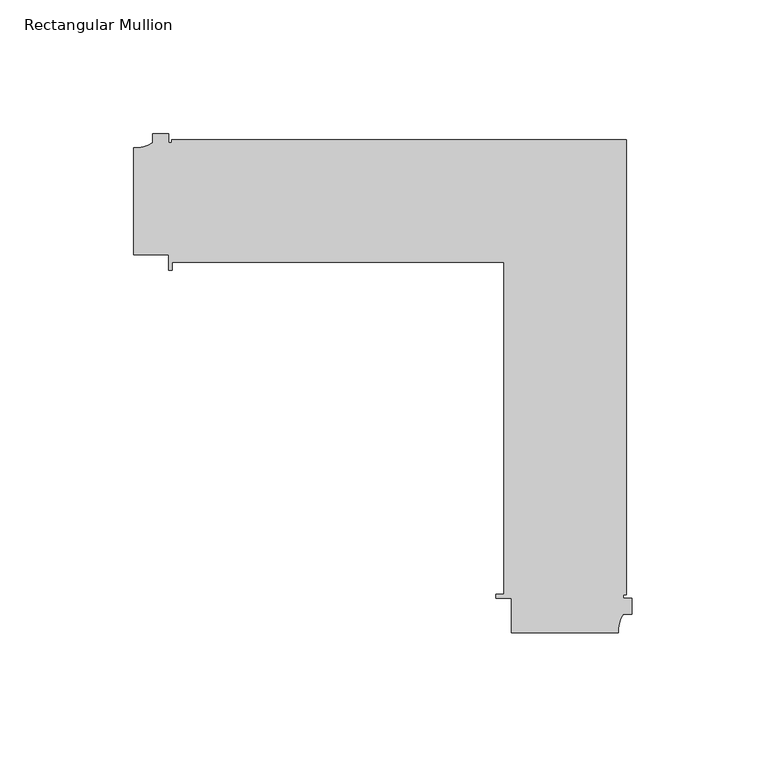
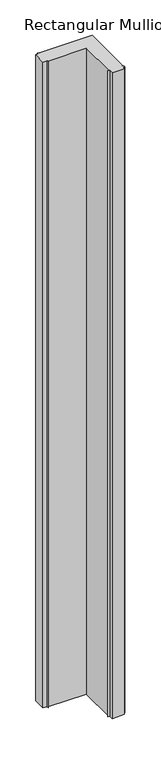
"""IFC4 building model written with IfcOpenShell, lengths in millimetres: member geometry, Rectangular Mullion."""

from ifc_helpers import new_model, si_unit, point, frame, frame_2d, origin, place, context, project, spatial, polyline, circle_curve, trimmed, segment, composite_curve, outline, extrude, source, transform, mapped, element, save


def rectangular_mullion_072ebd56(model_context):
    return source(origin(), model_context, "Body", "SweptSolid", [
        extrude(outline(composite_curve([segment(trimmed(circle_curve(frame_2d((-185.1098471, 25.7981787)), 10.4563907), [point((-185.9999843, 15.379745))], [point((-179.0000452, 17.3125187))], True, "CARTESIAN"), True, "CONTINUOUS"), segment(polyline([(-179.0000452, 17.3125187), (-179.0000452, 20.4999975), (-173.0000452, 20.4999975), (-173.0000452, 17.2147834), (-171.9852227, 17.2147834), (-171.9852227, 18.4147834), (-2.0852141, 18.4147834), (-2.0852141, -151.4852252), (-3.2852141, -151.4852252), (-3.2852141, -152.7000145), (0.0, -152.7000145), (0.0, -158.7000145), (-3.1874788, -158.7000145)]), True, "CONTINUOUS"), segment(trimmed(circle_curve(frame_2d((5.2981812, -164.8098164)), 10.4563907), [point((-3.1874788, -158.7000145))], [point((-5.1202525, -165.6999536))], True, "CARTESIAN"), True, "CONTINUOUS"), segment(polyline([(-5.1202525, -165.6999536), (-45.0, -165.6999536), (-45.0, -152.7000145), (-50.8, -152.7000145), (-50.8, -151.3000025), (-47.8, -151.3000025), (-47.8, -27.3000025), (-171.8, -27.3000025), (-171.8, -30.3000025), (-173.0000452, -30.3000025), (-173.0000452, -24.5000025), (-185.9999843, -24.5000025), (-185.9999843, 15.379745)]), True, "CONTINUOUS")], self_intersect=False)), frame((0.0, 0.0, -2200.0), z_axis=(0.0, 0.0, 1.0), x_axis=(1.0, 0.0, 0.0)), (0.0, 0.0, 1.0), 2200.0),
    ])


if __name__ == "__main__":
    model = new_model("IFC4")
    model_context = context("Model", 3, world=origin())
    ifc_project = project(units=[si_unit("LENGTHUNIT", "METRE", prefix="MILLI")], contexts=[model_context])
    site = spatial("IfcSite", under=ifc_project)
    building = spatial("IfcBuilding", under=site)
    placement = place(None, origin())
    rectangular_mullion_shape = rectangular_mullion_072ebd56(model_context)
    element("IfcMember", 1, ObjectType="Rectangular Mullion", at=placement, inside=building, context=model_context, shape_type="MappedRepresentation", body=[
        mapped(rectangular_mullion_shape, transform((0.0, 0.0, 0.0), x_axis=(1.0, 0.0, 0.0), y_axis=(0.0, 1.0, 0.0), z_axis=(0.0, 0.0, 1.0))),
    ])
    save(model, "model.ifc")
